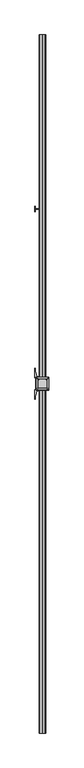
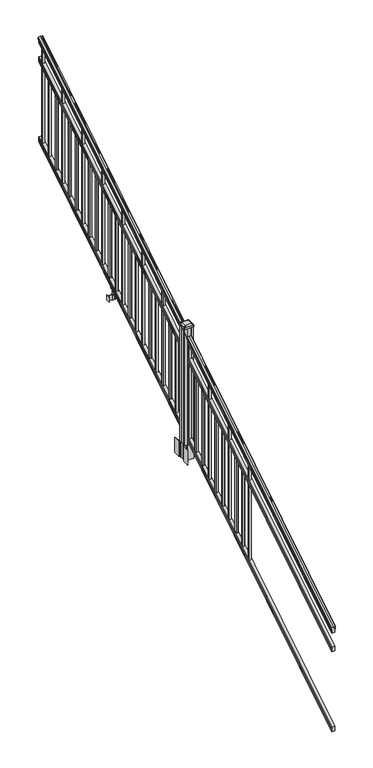
"""IFC4 building model written with IfcOpenShell, lengths in millimetres: railing geometry."""

from ifc_helpers import new_model, si_unit, point, frame, frame_2d, origin, place, context, project, spatial, polyline, circle_curve, ellipse_curve, trimmed, segment, composite_curve, outline, extrude, faceted_brep, source, transform, mapped, element, save
from ifc_brep_helpers import plane_surface, cylinder_surface, revolved_surface, extruded_surface, advanced_brep


def railing_d5952ba9(model_context):
    return source(origin(), model_context, "Body", "SolidModel", [
        advanced_brep(
        [(11092.2704765, -129368.4628453, 1285.6070492), (11092.2704765, -129368.4628453, 1287.8335658), (11093.4006628, -129368.4628453, 1289.6758543), (11093.4006628, -129368.4628453, 1298.1876358), (11092.7514064, -129368.4628453, 1301.0572588), (11095.2514064, -129368.4628453, 1306.1635509), (11096.6607489, -129368.4628453, 1308.1442021), (11097.0626479, -129368.4628453, 1309.4469579), (11097.0626478, -129368.4628453, 1311.0274846), (11095.5092005, -129368.4628453, 1312.8593836), (11074.8376478, -129368.4628453, 1312.8593836), (11054.166095, -129368.4628453, 1312.8593836), (11052.6126478, -129368.4628453, 1311.0274846), (11052.6126478, -129368.4628453, 1309.4469579), (11053.0145467, -129368.4628453, 1308.1442021), (11054.4238891, -129368.4628453, 1306.1635509), (11056.9238891, -129368.4628453, 1301.0572588), (11056.2746327, -129368.4628453, 1298.1876358), (11056.2746327, -129368.4628453, 1289.6758543), (11057.404819, -129368.4628453, 1287.8335658), (11057.404819, -129368.4628453, 1285.6070492), (11059.9786478, -129368.4628453, 1285.6070492), (11059.9786478, -129368.4628453, 1273.225537), (11058.9626478, -129368.4628453, 1272.0274214), (11058.9626478, -129368.4628453, 1257.3), (11090.7126478, -129368.4628453, 1257.3), (11090.7126478, -129368.4628453, 1271.841318), (11089.6966478, -129368.4628453, 1273.0394336), (11089.6966478, -129368.4628453, 1285.6070492), (11092.2704765, -124491.6628453, 4333.6070492), (11089.6966478, -124491.6628453, 4333.6070492), (11089.6966478, -124491.6628453, 4321.0394336), (11090.7126478, -124491.6628453, 4319.841318), (11090.7126478, -124491.6628453, 4305.3), (11058.9626478, -124491.6628453, 4305.3), (11058.9626478, -124491.6628453, 4320.0274214), (11059.9786478, -124491.6628453, 4321.225537), (11059.9786478, -124491.6628453, 4333.6070492), (11057.404819, -124491.6628453, 4333.6070492), (11057.404819, -124491.6628453, 4335.8335658), (11056.2746327, -124491.6628453, 4337.6758543), (11056.2746327, -124491.6628453, 4346.1876358), (11056.9238891, -124491.6628453, 4349.0572588), (11054.4238891, -124491.6628453, 4354.1635509), (11053.0145467, -124491.6628453, 4356.1442021), (11052.6126477, -124491.6628453, 4357.4469579), (11052.6126478, -124491.6628453, 4359.0274846), (11054.166095, -124491.6628453, 4360.8593836), (11074.8376478, -124491.6628453, 4360.8593836), (11095.5092005, -124491.6628453, 4360.8593836), (11097.0626478, -124491.6628453, 4359.0274846), (11097.0626478, -124491.6628453, 4357.4469579), (11096.6607489, -124491.6628453, 4356.1442021), (11095.2514064, -124491.6628453, 4354.1635509), (11092.7514064, -124491.6628453, 4349.0572588), (11093.4006628, -124491.6628453, 4346.1876358), (11093.4006628, -124491.6628453, 4337.6758543), (11092.2704765, -124491.6628453, 4335.8335658)],
        [
            (0, 1),
            (1, 2, ellipse_curve(frame((11085.9557232, -129368.4628453, 1294.6239405), z_axis=(0.0, -1.0, 0.0), x_axis=(0.0, 0.0, -1.0)), 10.0777926, 8.545951)),
            (2, 3, ellipse_curve(frame((11086.3927862, -129368.4628453, 1293.9317451), z_axis=(0.0, -1.0, 0.0), x_axis=(0.0, 0.0, -1.0)), 9.2955186, 7.882584)),
            (3, 4, ellipse_curve(frame((11096.9061103, -129368.4628453, 1300.8275077), z_axis=(0.0, 1.0, 0.0), x_axis=(0.0, 0.0, 1.0)), 4.9048088, 4.1592695)),
            (4, 5, ellipse_curve(frame((11098.1934169, -129368.4628453, 1300.7563208), z_axis=(0.0, 1.0, 0.0), x_axis=(0.0, 0.0, 1.0)), 6.4245301, 5.4479907)),
            (5, 6, ellipse_curve(frame((11096.9602584, -129368.4628453, 1306.1602333), z_axis=(0.0, 1.0, 0.0), x_axis=(0.0, 0.0, 1.0)), 2.0151625, 1.7088543)),
            (6, 7, ellipse_curve(frame((11095.3433583, -129368.4628453, 1309.4469579), z_axis=(0.0, -1.0, 0.0), x_axis=(0.0, 0.0, -1.0)), 2.0274681, 1.7192895)),
            (7, 8),
            (8, 9, ellipse_curve(frame((11095.5092005, -129368.4628453, 1311.0274846), z_axis=(0.0, -1.0, 0.0), x_axis=(0.0, 0.0, -1.0)), 1.831899, 1.5534472)),
            (9, 10),
            (10, 11),
            (11, 12, ellipse_curve(frame((11054.166095, -129368.4628453, 1311.0274846), z_axis=(0.0, -1.0, 0.0), x_axis=(0.0, 0.0, -1.0)), 1.831899, 1.5534472)),
            (12, 13),
            (13, 14, ellipse_curve(frame((11054.3319372, -129368.4628453, 1309.4469579), z_axis=(0.0, -1.0, 0.0), x_axis=(0.0, 0.0, -1.0)), 2.0274681, 1.7192895)),
            (14, 15, ellipse_curve(frame((11052.7150371, -129368.4628453, 1306.1602333), z_axis=(0.0, 1.0, 0.0), x_axis=(0.0, 0.0, 1.0)), 2.0151625, 1.7088543)),
            (15, 16, ellipse_curve(frame((11051.4818787, -129368.4628453, 1300.7563208), z_axis=(0.0, 1.0, 0.0), x_axis=(0.0, 0.0, 1.0)), 6.4245301, 5.4479907)),
            (16, 17, ellipse_curve(frame((11052.7691852, -129368.4628453, 1300.8275077), z_axis=(0.0, 1.0, 0.0), x_axis=(0.0, 0.0, 1.0)), 4.9048088, 4.1592695)),
            (17, 18, ellipse_curve(frame((11063.2825093, -129368.4628453, 1293.9317451), z_axis=(0.0, -1.0, 0.0), x_axis=(0.0, 0.0, -1.0)), 9.2955186, 7.882584)),
            (18, 19, ellipse_curve(frame((11063.7195723, -129368.4628453, 1294.6239405), z_axis=(0.0, -1.0, 0.0), x_axis=(0.0, 0.0, -1.0)), 10.0777926, 8.545951)),
            (19, 20),
            (20, 21, ellipse_curve(frame((11058.6917334, -129368.4628453, 1285.6070492), z_axis=(0.0, -1.0, 0.0), x_axis=(0.0, 0.0, -1.0)), 1.5175907, 1.2869144)),
            (21, 22),
            (22, 23),
            (23, 24),
            (24, 25),
            (25, 26),
            (26, 27),
            (27, 28),
            (28, 0, ellipse_curve(frame((11090.9835621, -129368.4628453, 1285.6070492), z_axis=(0.0, -1.0, 0.0), x_axis=(0.0, 0.0, -1.0)), 1.5175907, 1.2869144)),
            (29, 30, ellipse_curve(frame((11090.9835621, -124491.6628453, 4333.6070492), z_axis=(0.0, 1.0, 0.0), x_axis=(0.0, 0.0, -1.0)), 1.5175907, 1.2869144)),
            (30, 31),
            (31, 32),
            (32, 33),
            (33, 34),
            (34, 35),
            (35, 36),
            (36, 37),
            (37, 38, ellipse_curve(frame((11058.6917334, -124491.6628453, 4333.6070492), z_axis=(0.0, 1.0, 0.0), x_axis=(0.0, 0.0, -1.0)), 1.5175907, 1.2869144)),
            (38, 39),
            (39, 40, ellipse_curve(frame((11063.7195723, -124491.6628453, 4342.6239405), z_axis=(0.0, 1.0, 0.0), x_axis=(0.0, 0.0, -1.0)), 10.0777926, 8.545951)),
            (40, 41, ellipse_curve(frame((11063.2825093, -124491.6628453, 4341.9317451), z_axis=(0.0, 1.0, 0.0), x_axis=(0.0, 0.0, -1.0)), 9.2955186, 7.882584)),
            (41, 42, ellipse_curve(frame((11052.7691852, -124491.6628453, 4348.8275077), z_axis=(0.0, -1.0, 0.0), x_axis=(0.0, 0.0, 1.0)), 4.9048088, 4.1592695)),
            (42, 43, ellipse_curve(frame((11051.4818787, -124491.6628453, 4348.7563208), z_axis=(0.0, -1.0, 0.0), x_axis=(0.0, 0.0, 1.0)), 6.4245301, 5.4479907)),
            (43, 44, ellipse_curve(frame((11052.7150371, -124491.6628453, 4354.1602333), z_axis=(0.0, -1.0, 0.0), x_axis=(0.0, 0.0, 1.0)), 2.0151625, 1.7088543)),
            (44, 45, ellipse_curve(frame((11054.3319372, -124491.6628453, 4357.4469579), z_axis=(0.0, 1.0, 0.0), x_axis=(0.0, 0.0, -1.0)), 2.0274681, 1.7192895)),
            (45, 46),
            (46, 47, ellipse_curve(frame((11054.166095, -124491.6628453, 4359.0274846), z_axis=(0.0, 1.0, 0.0), x_axis=(0.0, 0.0, -1.0)), 1.831899, 1.5534472)),
            (47, 48),
            (48, 49),
            (49, 50, ellipse_curve(frame((11095.5092005, -124491.6628453, 4359.0274846), z_axis=(0.0, 1.0, 0.0), x_axis=(0.0, 0.0, -1.0)), 1.831899, 1.5534472)),
            (50, 51),
            (51, 52, ellipse_curve(frame((11095.3433583, -124491.6628453, 4357.4469579), z_axis=(0.0, 1.0, 0.0), x_axis=(0.0, 0.0, -1.0)), 2.0274681, 1.7192895)),
            (52, 53, ellipse_curve(frame((11096.9602584, -124491.6628453, 4354.1602333), z_axis=(0.0, -1.0, 0.0), x_axis=(0.0, 0.0, 1.0)), 2.0151625, 1.7088543)),
            (53, 54, ellipse_curve(frame((11098.1934169, -124491.6628453, 4348.7563208), z_axis=(0.0, -1.0, 0.0), x_axis=(0.0, 0.0, 1.0)), 6.4245301, 5.4479907)),
            (54, 55, ellipse_curve(frame((11096.9061103, -124491.6628453, 4348.8275077), z_axis=(0.0, -1.0, 0.0), x_axis=(0.0, 0.0, 1.0)), 4.9048088, 4.1592695)),
            (55, 56, ellipse_curve(frame((11086.3927862, -124491.6628453, 4341.9317451), z_axis=(0.0, 1.0, 0.0), x_axis=(0.0, 0.0, -1.0)), 9.2955186, 7.882584)),
            (56, 57, ellipse_curve(frame((11085.9557232, -124491.6628453, 4342.6239405), z_axis=(0.0, 1.0, 0.0), x_axis=(0.0, 0.0, -1.0)), 10.0777926, 8.545951)),
            (57, 29),
            (28, 30),
            (29, 0),
            (27, 31),
            (26, 32),
            (25, 33),
            (24, 34),
            (23, 35),
            (22, 36),
            (21, 37),
            (20, 38),
            (19, 39),
            (18, 40),
            (17, 41),
            (16, 42),
            (15, 43),
            (14, 44),
            (13, 45),
            (12, 46),
            (11, 47),
            (10, 48),
            (9, 49),
            (8, 50),
            (7, 51),
            (6, 52),
            (5, 53),
            (4, 54),
            (3, 55),
            (2, 56),
            (1, 57),
        ],
        [
            plane_surface(frame((11074.8376478, -129368.4628453, 1257.3), z_axis=(0.0, -1.0, 0.0), x_axis=(0.0, 0.0, 1.0))),
            plane_surface(frame((11074.8376478, -124491.6628453, 4305.3), z_axis=(0.0, 1.0, 0.0), x_axis=(0.0, 0.0, 1.0))),
            cylinder_surface(frame((11090.9835621, -129381.1851146, 1277.6556309), z_axis=(0.0, -0.8479983040051253, -0.5299989400031204), x_axis=(-1.0, 0.0, 0.0)), 1.2869144),
            plane_surface(frame((11089.6966478, -129368.4628453, 1273.0394336), z_axis=(1.0, 0.0, 0.0), x_axis=(0.0, 0.8479983040051252, 0.5299989400031204))),
            plane_surface(frame((11090.7126478, -129368.4628453, 1271.841318), z_axis=(0.7071067811865389, -0.3747658444978941, 0.5996253511967224), x_axis=(0.0, 0.8479983040051253, 0.5299989400031203))),
            plane_surface(frame((11090.7126478, -129368.4628453, 1257.3), z_axis=(1.0, 0.0, 0.0), x_axis=(0.0, 0.8479983040051252, 0.5299989400031204))),
            plane_surface(frame((11058.9626478, -129368.4628453, 1257.3), z_axis=(0.0, 0.5299989400031204, -0.8479983040051252), x_axis=(0.0, 0.8479983040051252, 0.5299989400031204))),
            plane_surface(frame((11058.9626478, -129368.4628453, 1272.0274214), z_axis=(-1.0000000000000002, 0.0, 0.0), x_axis=(0.0, 0.8479983040051253, 0.5299989400031204))),
            plane_surface(frame((11059.9786478, -129368.4628453, 1273.225537), z_axis=(-0.7071067811865438, -0.3747658444978897, 0.5996253511967192), x_axis=(0.0, 0.8479983040051252, 0.5299989400031204))),
            plane_surface(frame((11059.9786478, -129368.4628453, 1285.6070492), z_axis=(-1.0, 0.0, 0.0), x_axis=(0.0, 0.8479983040051252, 0.5299989400031204))),
            cylinder_surface(frame((11058.6917334, -129381.1851146, 1277.6556309), z_axis=(0.0, -0.8479983040051253, -0.5299989400031204), x_axis=(1.0, 0.0, 0.0)), 1.2869144),
            plane_surface(frame((11057.404819, -129368.4628453, 1287.8335658), z_axis=(-1.0, 0.0, 0.0), x_axis=(0.0, 0.8479983040051252, 0.5299989400031204))),
            cylinder_surface(frame((11063.7195723, -129385.23765, 1284.1396876), z_axis=(0.0, -0.8479983040051253, -0.5299989400031204), x_axis=(1.0, 0.0, 0.0)), 8.545951),
            cylinder_surface(frame((11063.2825093, -129384.9265509, 1283.641929), z_axis=(0.0, -0.8479983040051253, -0.5299989400031204), x_axis=(1.0, 0.0, 0.0)), 7.882584),
            revolved_surface(polyline([(11056.9284547, -124489.45843685034, 4350.205262980551), (11056.9284547, -129370.66725374945, 1299.4497524190954)]), (11052.7691852, -129388.0257701, 1288.6006797), (0.0, 0.8479983040051253, 0.5299989400031204)),
            revolved_surface(polyline([(11056.9298694, -124488.77541603574, 4350.5609640771845), (11056.9298694, -129371.35027455281, 1298.9516775044929)]), (11051.4818787, -129387.993776, 1288.5494891), (0.0, 0.8479983040051253, 0.5299989400031204)),
            revolved_surface(polyline([(11054.423891400002, -124490.75715429979, 4354.726290199658), (11054.423891400002, -129369.36853632248, 1305.5941764359545)]), (11052.7150371, -129390.4225007, 1292.4354487), (0.0, 0.8479983040051253, 0.5299989400031204)),
            cylinder_surface(frame((11054.3319372, -129391.8996803, 1294.798936), z_axis=(0.0, -0.8479983040051253, -0.5299989400031204), x_axis=(1.0, 0.0, 0.0)), 1.7192895),
            plane_surface(frame((11052.6126478, -129368.4628453, 1311.0274846), z_axis=(-1.0000000000000002, 0.0, 0.0), x_axis=(0.0, 0.8479983040051253, 0.5299989400031204))),
            cylinder_surface(frame((11054.166095, -129392.6100294, 1295.9354945), z_axis=(0.0, -0.8479983040051253, -0.5299989400031204), x_axis=(1.0, 0.0, 0.0)), 1.5534472),
            plane_surface(frame((11074.8376478, -129368.4628453, 1312.8593836), z_axis=(0.0, -0.5299989400031204, 0.8479983040051252), x_axis=(0.0, 0.8479983040051252, 0.5299989400031204))),
            plane_surface(frame((11095.5092005, -129368.4628453, 1312.8593836), z_axis=(0.0, -0.5299989400031204, 0.8479983040051252), x_axis=(0.0, 0.8479983040051252, 0.5299989400031204))),
            cylinder_surface(frame((11095.5092005, -129392.6100294, 1295.9354945), z_axis=(0.0, -0.8479983040051253, -0.5299989400031204), x_axis=(-1.0, 0.0, 0.0)), 1.5534472),
            plane_surface(frame((11097.0626478, -129368.4628453, 1309.4469579), z_axis=(1.0, 0.0, 0.0), x_axis=(0.0, 0.8479983040051252, 0.5299989400031204))),
            cylinder_surface(frame((11095.3433583, -129391.8996803, 1294.798936), z_axis=(0.0, -0.8479983040051253, -0.5299989400031204), x_axis=(-1.0, 0.0, 0.0)), 1.7192895),
            revolved_surface(polyline([(11095.2514041, -124490.75715429979, 4354.726290199658), (11095.2514041, -129369.36853632248, 1305.5941764359545)]), (11096.9602584, -129390.4225007, 1292.4354487), (0.0, 0.8479983040051253, 0.5299989400031204)),
            revolved_surface(polyline([(11092.7454262, -124488.77541603574, 4350.5609640771845), (11092.7454262, -129371.35027455281, 1298.9516775044929)]), (11098.1934169, -129387.993776, 1288.5494891), (0.0, 0.8479983040051253, 0.5299989400031204)),
            revolved_surface(polyline([(11092.7468408, -124489.45843685034, 4350.205262980551), (11092.7468408, -129370.66725374945, 1299.4497524190954)]), (11096.9061103, -129388.0257701, 1288.6006797), (0.0, 0.8479983040051253, 0.5299989400031204)),
            cylinder_surface(frame((11086.3927862, -129384.9265509, 1283.641929), z_axis=(0.0, -0.8479983040051253, -0.5299989400031204), x_axis=(-1.0, 0.0, 0.0)), 7.882584),
            cylinder_surface(frame((11085.9557232, -129385.23765, 1284.1396876), z_axis=(0.0, -0.8479983040051253, -0.5299989400031204), x_axis=(-1.0, 0.0, 0.0)), 8.545951),
            plane_surface(frame((11092.2704765, -129368.4628453, 1285.6070492), z_axis=(1.0, 0.0, 0.0), x_axis=(0.0, 0.8479983040051252, 0.5299989400031204))),
        ],
        [
            (0, [[1, 2, 3, 4, 5, 6, 7, 8, 9, 10, 11, 12, 13, 14, 15, 16, 17, 18, 19, 20, 21, 22, 23, 24, 25, 26, 27, 28, 29]]),
            (1, [[30, 31, 32, 33, 34, 35, 36, 37, 38, 39, 40, 41, 42, 43, 44, 45, 46, 47, 48, 49, 50, 51, 52, 53, 54, 55, 56, 57, 58]]),
            (2, [[-29, 59, -30, 60]]),
            (3, [[-28, 61, -31, -59]]),
            (4, [[-27, 62, -32, -61]]),
            (5, [[-26, 63, -33, -62]]),
            (6, [[-25, 64, -34, -63]]),
            (7, [[-24, 65, -35, -64]]),
            (8, [[-23, 66, -36, -65]]),
            (9, [[-22, 67, -37, -66]]),
            (10, [[-21, 68, -38, -67]]),
            (11, [[-20, 69, -39, -68]]),
            (12, [[-19, 70, -40, -69]]),
            (13, [[-18, 71, -41, -70]]),
            (14, [[-17, 72, -42, -71]]),
            (15, [[-16, 73, -43, -72]]),
            (16, [[-15, 74, -44, -73]]),
            (17, [[-14, 75, -45, -74]]),
            (18, [[-13, 76, -46, -75]]),
            (19, [[-12, 77, -47, -76]]),
            (20, [[-11, 78, -48, -77]]),
            (21, [[-10, 79, -49, -78]]),
            (22, [[-9, 80, -50, -79]]),
            (23, [[-8, 81, -51, -80]]),
            (24, [[-7, 82, -52, -81]]),
            (25, [[-6, 83, -53, -82]]),
            (26, [[-5, 84, -54, -83]]),
            (27, [[-4, 85, -55, -84]]),
            (28, [[-3, 86, -56, -85]]),
            (29, [[-2, 87, -57, -86]]),
            (30, [[-1, -60, -58, -87]]),
        ],
    ),
        faceted_brep([(11090.7501347, -129368.4628453, 1081.6045079), (11089.7341347, -129368.4628453, 1083.138026), (11089.7341347, -129368.4628453, 1095.3545048), (11090.7501347, -129368.4628453, 1096.9444579), (11090.7501347, -129368.4628453, 1111.7244744), (11059.0001347, -129368.4628453, 1111.7244744), (11059.0001347, -129368.4628453, 1096.9248272), (11060.0161347, -129368.4628453, 1095.3348741), (11060.0161347, -129368.4628453, 1083.1748303), (11059.0001347, -129368.4628453, 1081.5848772), (11059.0001347, -129368.4628453, 1066.8), (11090.7501347, -129368.4628453, 1066.8), (11090.7501347, -124491.6628453, 4129.6045079), (11090.7501347, -124491.6628453, 4114.8), (11059.0001347, -124491.6628453, 4114.8), (11059.0001347, -124491.6628453, 4129.5848772), (11060.0161347, -124491.6628453, 4131.1748303), (11060.0161347, -124491.6628453, 4143.3348741), (11059.0001347, -124491.6628453, 4144.9248272), (11059.0001347, -124491.6628453, 4159.7244744), (11090.7501347, -124491.6628453, 4159.7244744), (11090.7501347, -124491.6628453, 4144.9444579), (11089.7341347, -124491.6628453, 4143.3545048), (11089.7341347, -124491.6628453, 4131.138026)], [[[0, 1, 2, 3, 4, 5, 6, 7, 8, 9, 10, 11]], [[12, 13, 14, 15, 16, 17, 18, 19, 20, 21, 22, 23]], [[0, 11, 13, 12]], [[11, 10, 14, 13]], [[10, 9, 15, 14]], [[9, 8, 16, 15]], [[8, 7, 17, 16]], [[7, 6, 18, 17]], [[6, 5, 19, 18]], [[5, 4, 20, 19]], [[4, 3, 21, 20]], [[3, 2, 22, 21]], [[2, 1, 23, 22]], [[1, 0, 12, 23]]]),
        faceted_brep([(11090.7501347, -129368.4628453, 268.8045079), (11089.7341347, -129368.4628453, 270.338026), (11089.7341347, -129368.4628453, 282.5545048), (11090.7501347, -129368.4628453, 284.1444579), (11090.7501347, -129368.4628453, 298.9244744), (11059.0001347, -129368.4628453, 298.9244744), (11059.0001347, -129368.4628453, 284.1248272), (11060.0161347, -129368.4628453, 282.5348741), (11060.0161347, -129368.4628453, 270.3748303), (11059.0001347, -129368.4628453, 268.7848772), (11059.0001347, -129368.4628453, 254.0), (11090.7501347, -129368.4628453, 254.0), (11090.7501347, -124491.6628453, 3316.8045079), (11090.7501347, -124491.6628453, 3302.0), (11059.0001347, -124491.6628453, 3302.0), (11059.0001347, -124491.6628453, 3316.7848772), (11060.0161347, -124491.6628453, 3318.3748303), (11060.0161347, -124491.6628453, 3330.5348741), (11059.0001347, -124491.6628453, 3332.1248272), (11059.0001347, -124491.6628453, 3346.9244744), (11090.7501347, -124491.6628453, 3346.9244744), (11090.7501347, -124491.6628453, 3332.1444579), (11089.7341347, -124491.6628453, 3330.5545048), (11089.7341347, -124491.6628453, 3318.338026)], [[[0, 1, 2, 3, 4, 5, 6, 7, 8, 9, 10, 11]], [[12, 13, 14, 15, 16, 17, 18, 19, 20, 21, 22, 23]], [[2, 1, 23, 22]], [[4, 3, 21, 20]], [[6, 5, 19, 18]], [[0, 11, 13, 12]], [[1, 0, 12, 23]], [[3, 2, 22, 21]], [[5, 4, 20, 19]], [[7, 6, 18, 17]], [[8, 7, 17, 16]], [[9, 8, 16, 15]], [[10, 9, 15, 14]], [[11, 10, 14, 13]]]),
        extrude(outline(polyline([(11084.3626478, -124548.4318453), (11065.3126478, -124548.4318453), (11065.3126478, -124529.3818453), (11084.3626478, -124529.3818453), (11084.3626478, -124548.4318453)]), holes=[polyline([(11083.9657728, -124548.0349703), (11083.9657728, -124529.7787203), (11065.7095228, -124529.7787203), (11065.7095228, -124548.0349703), (11083.9657728, -124548.0349703)])]), frame((0.0, 0.0, 3310.5683781), z_axis=(0.0, 0.0, 1.0), x_axis=(1.0, 0.0, 0.0)), (0.0, 0.0, 1.0), 965.2041219),
        extrude(outline(polyline([(11084.3626478, -124659.6838453), (11065.3126478, -124659.6838453), (11065.3126478, -124640.6338453), (11084.3626478, -124640.6338453), (11084.3626478, -124659.6838453)]), holes=[polyline([(11083.9657728, -124659.2869703), (11083.9657728, -124641.0307203), (11065.7095228, -124641.0307203), (11065.7095228, -124659.2869703), (11083.9657728, -124659.2869703)])]), frame((0.0, 0.0, 3241.0358781), z_axis=(0.0, 0.0, 1.0), x_axis=(1.0, 0.0, 0.0)), (0.0, 0.0, 1.0), 774.7041219),
        extrude(outline(polyline([(11084.3626478, -124770.9358453), (11065.3126478, -124770.9358453), (11065.3126478, -124751.8858453), (11084.3626478, -124751.8858453), (11084.3626478, -124770.9358453)]), holes=[polyline([(11083.9657728, -124770.5389703), (11083.9657728, -124752.2827203), (11065.7095228, -124752.2827203), (11065.7095228, -124770.5389703), (11083.9657728, -124770.5389703)])]), frame((0.0, 0.0, 3171.5033781), z_axis=(0.0, 0.0, 1.0), x_axis=(1.0, 0.0, 0.0)), (0.0, 0.0, 1.0), 774.7041219),
        extrude(outline(polyline([(11084.3626478, -124882.1878453), (11065.3126478, -124882.1878453), (11065.3126478, -124863.1378453), (11084.3626478, -124863.1378453), (11084.3626478, -124882.1878453)]), holes=[polyline([(11083.9657728, -124881.7909703), (11083.9657728, -124863.5347203), (11065.7095228, -124863.5347203), (11065.7095228, -124881.7909703), (11083.9657728, -124881.7909703)])]), frame((0.0, 0.0, 3101.9708781), z_axis=(0.0, 0.0, 1.0), x_axis=(1.0, 0.0, 0.0)), (0.0, 0.0, 1.0), 965.2041219),
        extrude(outline(polyline([(11084.3626478, -124993.4398453), (11065.3126478, -124993.4398453), (11065.3126478, -124974.3898453), (11084.3626478, -124974.3898453), (11084.3626478, -124993.4398453)]), holes=[polyline([(11083.9657728, -124993.0429703), (11083.9657728, -124974.7867203), (11065.7095228, -124974.7867203), (11065.7095228, -124993.0429703), (11083.9657728, -124993.0429703)])]), frame((0.0, 0.0, 3032.4383781), z_axis=(0.0, 0.0, 1.0), x_axis=(1.0, 0.0, 0.0)), (0.0, 0.0, 1.0), 774.7041219),
        extrude(outline(polyline([(11084.3626478, -125104.6918453), (11065.3126478, -125104.6918453), (11065.3126478, -125085.6418453), (11084.3626478, -125085.6418453), (11084.3626478, -125104.6918453)]), holes=[polyline([(11083.9657728, -125104.2949703), (11083.9657728, -125086.0387203), (11065.7095228, -125086.0387203), (11065.7095228, -125104.2949703), (11083.9657728, -125104.2949703)])]), frame((0.0, 0.0, 2962.9058781), z_axis=(0.0, 0.0, 1.0), x_axis=(1.0, 0.0, 0.0)), (0.0, 0.0, 1.0), 774.7041219),
        extrude(outline(polyline([(11084.3626478, -125215.9438453), (11065.3126478, -125215.9438453), (11065.3126478, -125196.8938453), (11084.3626478, -125196.8938453), (11084.3626478, -125215.9438453)]), holes=[polyline([(11083.9657728, -125215.5469703), (11083.9657728, -125197.2907203), (11065.7095228, -125197.2907203), (11065.7095228, -125215.5469703), (11083.9657728, -125215.5469703)])]), frame((0.0, 0.0, 2893.3733781), z_axis=(0.0, 0.0, 1.0), x_axis=(1.0, 0.0, 0.0)), (0.0, 0.0, 1.0), 965.2041219),
        extrude(outline(polyline([(11084.3626478, -125327.1958453), (11065.3126478, -125327.1958453), (11065.3126478, -125308.1458453), (11084.3626478, -125308.1458453), (11084.3626478, -125327.1958453)]), holes=[polyline([(11083.9657728, -125326.7989703), (11083.9657728, -125308.5427203), (11065.7095228, -125308.5427203), (11065.7095228, -125326.7989703), (11083.9657728, -125326.7989703)])]), frame((0.0, 0.0, 2823.8408781), z_axis=(0.0, 0.0, 1.0), x_axis=(1.0, 0.0, 0.0)), (0.0, 0.0, 1.0), 774.7041219),
        extrude(outline(polyline([(11084.3626478, -125438.4478453), (11065.3126478, -125438.4478453), (11065.3126478, -125419.3978453), (11084.3626478, -125419.3978453), (11084.3626478, -125438.4478453)]), holes=[polyline([(11083.9657728, -125438.0509703), (11083.9657728, -125419.7947203), (11065.7095228, -125419.7947203), (11065.7095228, -125438.0509703), (11083.9657728, -125438.0509703)])]), frame((0.0, 0.0, 2754.3083781), z_axis=(0.0, 0.0, 1.0), x_axis=(1.0, 0.0, 0.0)), (0.0, 0.0, 1.0), 774.7041219),
        extrude(outline(polyline([(11084.3626478, -125549.6998453), (11065.3126478, -125549.6998453), (11065.3126478, -125530.6498453), (11084.3626478, -125530.6498453), (11084.3626478, -125549.6998453)]), holes=[polyline([(11083.9657728, -125549.3029703), (11083.9657728, -125531.0467203), (11065.7095228, -125531.0467203), (11065.7095228, -125549.3029703), (11083.9657728, -125549.3029703)])]), frame((0.0, 0.0, 2684.7758781), z_axis=(0.0, 0.0, 1.0), x_axis=(1.0, 0.0, 0.0)), (0.0, 0.0, 1.0), 965.2041219),
        extrude(outline(polyline([(11084.3626478, -125660.9518453), (11065.3126478, -125660.9518453), (11065.3126478, -125641.9018453), (11084.3626478, -125641.9018453), (11084.3626478, -125660.9518453)]), holes=[polyline([(11083.9657728, -125660.5549703), (11083.9657728, -125642.2987203), (11065.7095228, -125642.2987203), (11065.7095228, -125660.5549703), (11083.9657728, -125660.5549703)])]), frame((0.0, 0.0, 2615.2433781), z_axis=(0.0, 0.0, 1.0), x_axis=(1.0, 0.0, 0.0)), (0.0, 0.0, 1.0), 774.7041219),
        extrude(outline(polyline([(11064.169648, -125708.3228453), (11024.7996478, -125708.3228453), (11024.7996478, -125705.7828453), (11064.169648, -125705.7828453), (11064.169648, -125708.3228453)])), frame((0.0, 0.0, 2428.08125), z_axis=(0.0, 0.0, 1.0), x_axis=(1.0, 0.0, 0.0)), (0.0, 0.0, 1.0), 50.8),
        extrude(outline(polyline([(11024.7996478, -125726.1028453), (11022.2596478, -125726.1028453), (11022.2596478, -125688.0028453), (11024.7996478, -125688.0028453), (11024.7996478, -125726.1028453)])), frame((0.0, 0.0, 2428.08125), z_axis=(0.0, 0.0, 1.0), x_axis=(1.0, 0.0, 0.0)), (0.0, 0.0, 1.0), 50.8),
        extrude(outline(polyline([(11085.5056485, -125716.9588453), (11064.169648, -125716.9588453), (11064.169648, -125697.1468453), (11085.5056485, -125697.1468453), (11085.5056485, -125716.9588453)]), holes=[polyline([(11082.2036484, -125714.4188453), (11082.2036484, -125699.6868453), (11067.4716481, -125699.6868453), (11067.4716481, -125714.4188453), (11082.2036484, -125714.4188453)])]), frame((0.0, 0.0, 2428.08125), z_axis=(0.0, 0.0, 1.0), x_axis=(1.0, 0.0, 0.0)), (0.0, 0.0, 1.0), 50.8),
        extrude(outline(polyline([(2567.6016479, 11056.6766489), (2566.8396469, 11055.9146479), (2540.3492523, 11055.9146479), (2539.5872513, 11056.6766489), (2539.5872513, 11066.709648), (2538.8252512, 11067.4716481), (2475.3252512, 11067.4716481), (2475.3252512, 11082.2036484), (2538.8252512, 11082.2036484), (2539.5872513, 11082.9656485), (2539.5872513, 11092.9986475), (2540.3492523, 11093.7606486), (2566.8396469, 11093.7606486), (2567.6016479, 11092.9986475), (2567.6016479, 11090.966648), (2566.5856453, 11089.9506482), (2556.1498581, 11089.9506482), (2555.1338573, 11090.966648), (2543.143251, 11090.966648), (2542.3812519, 11090.2046488), (2542.3812519, 11059.4706477), (2543.143251, 11058.7086485), (2555.1338573, 11058.7086485), (2556.1498581, 11059.7246483), (2566.5856453, 11059.7246483), (2567.6016479, 11058.7086485), (2567.6016479, 11056.6766489)]), holes=[polyline([(2539.5872513, 11078.2666481), (2538.8252512, 11079.0286482), (2482.8182531, 11079.0286482), (2482.0562531, 11078.2666481), (2482.0562531, 11071.4086455), (2482.8182503, 11070.6466483), (2538.8252512, 11070.6466483), (2539.5872513, 11071.4086483), (2539.5872513, 11078.2666481)])]), frame((0.0, -125714.4188453, 0.0), z_axis=(0.0, 1.0, 0.0), x_axis=(0.0, 0.0, 1.0)), (0.0, 0.0, 1.0), 14.732),
        extrude(outline(polyline([(11084.3626478, -125772.2038453), (11065.3126478, -125772.2038453), (11065.3126478, -125753.1538453), (11084.3626478, -125753.1538453), (11084.3626478, -125772.2038453)]), holes=[polyline([(11083.9657728, -125771.8069703), (11083.9657728, -125753.5507203), (11065.7095228, -125753.5507203), (11065.7095228, -125771.8069703), (11083.9657728, -125771.8069703)])]), frame((0.0, 0.0, 2545.7108781), z_axis=(0.0, 0.0, 1.0), x_axis=(1.0, 0.0, 0.0)), (0.0, 0.0, 1.0), 774.7041219),
        extrude(outline(polyline([(11084.3626478, -125883.4558453), (11065.3126478, -125883.4558453), (11065.3126478, -125864.4058453), (11084.3626478, -125864.4058453), (11084.3626478, -125883.4558453)]), holes=[polyline([(11083.9657728, -125883.0589703), (11083.9657728, -125864.8027203), (11065.7095228, -125864.8027203), (11065.7095228, -125883.0589703), (11083.9657728, -125883.0589703)])]), frame((0.0, 0.0, 2476.1783781), z_axis=(0.0, 0.0, 1.0), x_axis=(1.0, 0.0, 0.0)), (0.0, 0.0, 1.0), 965.2041219),
        extrude(outline(polyline([(11084.3626478, -125994.7078453), (11065.3126478, -125994.7078453), (11065.3126478, -125975.6578453), (11084.3626478, -125975.6578453), (11084.3626478, -125994.7078453)]), holes=[polyline([(11083.9657728, -125994.3109703), (11083.9657728, -125976.0547203), (11065.7095228, -125976.0547203), (11065.7095228, -125994.3109703), (11083.9657728, -125994.3109703)])]), frame((0.0, 0.0, 2406.6458781), z_axis=(0.0, 0.0, 1.0), x_axis=(1.0, 0.0, 0.0)), (0.0, 0.0, 1.0), 774.7041219),
        extrude(outline(polyline([(11084.3626478, -126105.9598453), (11065.3126478, -126105.9598453), (11065.3126478, -126086.9098453), (11084.3626478, -126086.9098453), (11084.3626478, -126105.9598453)]), holes=[polyline([(11083.9657728, -126105.5629703), (11083.9657728, -126087.3067203), (11065.7095228, -126087.3067203), (11065.7095228, -126105.5629703), (11083.9657728, -126105.5629703)])]), frame((0.0, 0.0, 2337.1133781), z_axis=(0.0, 0.0, 1.0), x_axis=(1.0, 0.0, 0.0)), (0.0, 0.0, 1.0), 774.7041219),
        extrude(outline(polyline([(11084.3626478, -126217.2118453), (11065.3126478, -126217.2118453), (11065.3126478, -126198.1618453), (11084.3626478, -126198.1618453), (11084.3626478, -126217.2118453)]), holes=[polyline([(11083.9657728, -126216.8149703), (11083.9657728, -126198.5587203), (11065.7095228, -126198.5587203), (11065.7095228, -126216.8149703), (11083.9657728, -126216.8149703)])]), frame((0.0, 0.0, 2267.5808781), z_axis=(0.0, 0.0, 1.0), x_axis=(1.0, 0.0, 0.0)), (0.0, 0.0, 1.0), 965.2041219),
        extrude(outline(polyline([(11084.3626478, -126328.4638453), (11065.3126478, -126328.4638453), (11065.3126478, -126309.4138453), (11084.3626478, -126309.4138453), (11084.3626478, -126328.4638453)]), holes=[polyline([(11083.9657728, -126328.0669703), (11083.9657728, -126309.8107203), (11065.7095228, -126309.8107203), (11065.7095228, -126328.0669703), (11083.9657728, -126328.0669703)])]), frame((0.0, 0.0, 2198.0483781), z_axis=(0.0, 0.0, 1.0), x_axis=(1.0, 0.0, 0.0)), (0.0, 0.0, 1.0), 774.7041219),
        extrude(outline(polyline([(11084.3626478, -126439.7158453), (11065.3126478, -126439.7158453), (11065.3126478, -126420.6658453), (11084.3626478, -126420.6658453), (11084.3626478, -126439.7158453)]), holes=[polyline([(11083.9657728, -126439.3189703), (11083.9657728, -126421.0627203), (11065.7095228, -126421.0627203), (11065.7095228, -126439.3189703), (11083.9657728, -126439.3189703)])]), frame((0.0, 0.0, 2128.5158781), z_axis=(0.0, 0.0, 1.0), x_axis=(1.0, 0.0, 0.0)), (0.0, 0.0, 1.0), 774.7041219),
        extrude(outline(polyline([(11084.3626478, -126550.9678453), (11065.3126478, -126550.9678453), (11065.3126478, -126531.9178453), (11084.3626478, -126531.9178453), (11084.3626478, -126550.9678453)]), holes=[polyline([(11083.9657728, -126550.5709703), (11083.9657728, -126532.3147203), (11065.7095228, -126532.3147203), (11065.7095228, -126550.5709703), (11083.9657728, -126550.5709703)])]), frame((0.0, 0.0, 2058.9833781), z_axis=(0.0, 0.0, 1.0), x_axis=(1.0, 0.0, 0.0)), (0.0, 0.0, 1.0), 965.2041219),
        extrude(outline(polyline([(11084.3626478, -126662.2198453), (11065.3126478, -126662.2198453), (11065.3126478, -126643.1698453), (11084.3626478, -126643.1698453), (11084.3626478, -126662.2198453)]), holes=[polyline([(11083.9657728, -126661.8229703), (11083.9657728, -126643.5667203), (11065.7095228, -126643.5667203), (11065.7095228, -126661.8229703), (11083.9657728, -126661.8229703)])]), frame((0.0, 0.0, 1989.4508781), z_axis=(0.0, 0.0, 1.0), x_axis=(1.0, 0.0, 0.0)), (0.0, 0.0, 1.0), 774.7041219),
        extrude(outline(polyline([(11084.3626478, -126773.4718453), (11065.3126478, -126773.4718453), (11065.3126478, -126754.4218453), (11084.3626478, -126754.4218453), (11084.3626478, -126773.4718453)]), holes=[polyline([(11083.9657728, -126773.0749703), (11083.9657728, -126754.8187203), (11065.7095228, -126754.8187203), (11065.7095228, -126773.0749703), (11083.9657728, -126773.0749703)])]), frame((0.0, 0.0, 1919.9183781), z_axis=(0.0, 0.0, 1.0), x_axis=(1.0, 0.0, 0.0)), (0.0, 0.0, 1.0), 774.7041219),
        extrude(outline(polyline([(11084.3626478, -126884.7238453), (11065.3126478, -126884.7238453), (11065.3126478, -126865.6738453), (11084.3626478, -126865.6738453), (11084.3626478, -126884.7238453)]), holes=[polyline([(11083.9657728, -126884.3269703), (11083.9657728, -126866.0707203), (11065.7095228, -126866.0707203), (11065.7095228, -126884.3269703), (11083.9657728, -126884.3269703)])]), frame((0.0, 0.0, 1850.3858781), z_axis=(0.0, 0.0, 1.0), x_axis=(1.0, 0.0, 0.0)), (0.0, 0.0, 1.0), 965.2041219),
        extrude(outline(composite_curve([segment(polyline([(11117.5731478, -126944.9089401), (11119.1606478, -126945.6709401), (11119.1606478, -126968.4728682), (11115.7876707, -126971.8458453), (11054.3279999, -126971.8458453), (11054.3279999, -126972.7665953), (11049.0104561, -126972.7665953), (11049.0104561, -126974.22085), (11043.9259264, -126974.22085), (11043.9259264, -126975.5048738), (11042.2586541, -126975.5048738)]), True, "CONTINUOUS"), segment(trimmed(circle_curve(frame_2d((11042.2586541, -126982.5643337)), 7.0594599), [point((11042.2586541, -126975.5048738))], [point((11035.4913912, -126980.554327))], True, "CARTESIAN"), True, "CONTINUOUS"), segment(polyline([(11035.4913912, -126980.554327), (11027.6171969, -127007.0650561)]), True, "CONTINUOUS"), segment(trimmed(circle_curve(frame_2d((11082.4017103, -127023.3371057)), 57.15), [point((11027.6171969, -127007.0650561))], [point((11025.2517103, -127023.3371057))], True, "CARTESIAN"), True, "CONTINUOUS"), segment(polyline([(11025.2517103, -127023.3371057), (11025.2517103, -127035.3458453), (11022.2517103, -127035.3458453), (11022.2517103, -126970.2583453), (11030.5146478, -126958.920054), (11030.5146478, -126945.6709401), (11032.1021478, -126944.9089401), (11032.1021478, -126910.1367504), (11030.5146478, -126909.3747504), (11030.5146478, -126896.1256366), (11022.2517103, -126884.7873453), (11022.2517103, -126819.6998453), (11025.2517103, -126819.6998453), (11025.2517103, -126831.7085848)]), True, "CONTINUOUS"), segment(trimmed(circle_curve(frame_2d((11082.4017103, -126831.7085848)), 57.15), [point((11025.2517103, -126831.7085848))], [point((11027.6171969, -126847.9806345))], True, "CARTESIAN"), True, "CONTINUOUS"), segment(polyline([(11027.6171969, -126847.9806345), (11035.4913912, -126874.4913636)]), True, "CONTINUOUS"), segment(trimmed(circle_curve(frame_2d((11042.2586541, -126872.4813569)), 7.0594599), [point((11035.4913912, -126874.4913636))], [point((11042.2586541, -126879.5408168))], True, "CARTESIAN"), True, "CONTINUOUS"), segment(polyline([(11042.2586541, -126879.5408168), (11043.9259264, -126879.5408168), (11043.9259264, -126880.8248406), (11049.0104561, -126880.8248406), (11049.0104561, -126882.2790953), (11054.3279999, -126882.2790953), (11054.3279999, -126883.1998453), (11115.7876707, -126883.1998453), (11119.1606478, -126886.5728224), (11119.1606478, -126909.3747504), (11117.5731478, -126910.1367504), (11117.5731478, -126944.9089401)]), True, "CONTINUOUS")], self_intersect=False), holes=[polyline([(11033.5626478, -126887.8353453), (11033.5626478, -126967.2103453), (11035.1501478, -126968.7978453), (11072.0744304, -126968.7978453), (11114.5251478, -126968.7978453), (11116.1126478, -126967.2103453), (11116.1126478, -126887.8353453), (11114.5251478, -126886.2478453), (11072.0744304, -126886.2478453), (11035.1501478, -126886.2478453), (11033.5626478, -126887.8353453)])]), frame((0.0, 0.0, 1563.6875), z_axis=(0.0, 0.0, 1.0), x_axis=(1.0, 0.0, 0.0)), (0.0, 0.0, 1.0), 152.4),
        advanced_brep(
        [(11049.0407728, -126956.4947203, 2928.426763), (11100.6345228, -126956.4947203, 2928.426763), (11103.8095228, -126953.3197203, 2928.426763), (11103.8095228, -126901.7259703, 2928.426763), (11100.6345228, -126898.5509703, 2928.426763), (11049.0407728, -126898.5509703, 2928.426763), (11045.8657728, -126901.7259703, 2928.426763), (11045.8657728, -126953.3197203, 2928.426763), (11032.7688978, -126972.7665953, 2917.123763), (11029.5938978, -126969.5915953, 2917.123763), (11029.5938978, -126885.4540953, 2917.123763), (11032.7688978, -126882.2790953, 2917.123763), (11116.9063978, -126882.2790953, 2917.123763), (11120.0813978, -126885.4540953, 2917.123763), (11120.0813978, -126969.5915953, 2917.123763), (11116.9063978, -126972.7665953, 2917.123763)],
        [
            (0, 1),
            (1, 2, circle_curve(frame((11100.6345228, -126953.3197203, 2928.426763), z_axis=(0.0, 0.0, 1.0), x_axis=(0.0, 1.0, 0.0)), 3.175)),
            (2, 3),
            (3, 4, circle_curve(frame((11100.6345228, -126901.7259703, 2928.426763), z_axis=(0.0, 0.0, 1.0), x_axis=(0.0, 1.0, 0.0)), 3.175)),
            (4, 5),
            (5, 6, circle_curve(frame((11049.0407728, -126901.7259703, 2928.426763), z_axis=(0.0, 0.0, 1.0), x_axis=(0.0, 1.0, 0.0)), 3.175)),
            (6, 7),
            (7, 0, circle_curve(frame((11049.0407728, -126953.3197203, 2928.426763), z_axis=(0.0, 0.0, 1.0), x_axis=(0.0, 1.0, 0.0)), 3.175)),
            (8, 9, circle_curve(frame((11032.7688978, -126969.5915953, 2917.123763), z_axis=(0.0, 0.0, -1.0), x_axis=(0.0, 1.0, 0.0)), 3.175)),
            (9, 10),
            (10, 11, circle_curve(frame((11032.7688978, -126885.4540953, 2917.123763), z_axis=(0.0, 0.0, -1.0), x_axis=(0.0, 1.0, 0.0)), 3.175)),
            (11, 12),
            (12, 13, circle_curve(frame((11116.9063978, -126885.4540953, 2917.123763), z_axis=(0.0, 0.0, -1.0), x_axis=(0.0, 1.0, 0.0)), 3.175)),
            (13, 14),
            (14, 15, circle_curve(frame((11116.9063978, -126969.5915953, 2917.123763), z_axis=(0.0, 0.0, -1.0), x_axis=(0.0, 1.0, 0.0)), 3.175)),
            (15, 8),
            (8, 0),
            (7, 9),
            (6, 10),
            (5, 11),
            (4, 12),
            (3, 13),
            (2, 14),
            (1, 15),
        ],
        [
            plane_surface(frame((11074.8376478, -126927.5228453, 2928.426763), z_axis=(0.0, 0.0, 1.0), x_axis=(-1.0, 0.0, 0.0))),
            plane_surface(frame((11074.8376478, -126927.5228453, 2917.123763), z_axis=(0.0, 0.0, -1.0), x_axis=(-1.0, 0.0, 0.0))),
            extruded_surface(trimmed(circle_curve(frame((11049.0407728, -126953.3197203, 2928.426763), z_axis=(0.0, 0.0, -1.0), x_axis=(0.0, 1.0, 0.0)), 3.175), [point((11049.0407728, -126956.4947203, 2928.426763))], [point((11045.8657728, -126953.3197203, 2928.426763))], True, "CARTESIAN"), (-16.271874999998545, -16.27187499999127, -11.302999999999884), 25.637972638859644),
            plane_surface(frame((11029.5938978, -126927.5228453, 2917.123763), z_axis=(-0.5705009161540778, 0.0, 0.8212969649690408), x_axis=(0.0, 1.0, 0.0))),
            extruded_surface(trimmed(circle_curve(frame((11049.0407728, -126901.7259703, 2928.426763), z_axis=(0.0, 0.0, -1.0), x_axis=(0.0, 1.0, 0.0)), 3.175), [point((11045.8657728, -126901.7259703, 2928.426763))], [point((11049.0407728, -126898.5509703, 2928.426763))], True, "CARTESIAN"), (-16.271874999998545, 16.27187500000582, -11.302999999999884), 25.63797263886888),
            plane_surface(frame((11074.8376478, -126882.2790953, 2917.123763), z_axis=(0.0, 0.5705009161540291, 0.8212969649690747), x_axis=(1.0, 0.0, 0.0))),
            extruded_surface(trimmed(circle_curve(frame((11100.6345228, -126901.7259703, 2928.426763), z_axis=(0.0, 0.0, -1.0), x_axis=(0.0, 1.0, 0.0)), 3.175), [point((11100.6345228, -126898.5509703, 2928.426763))], [point((11103.8095228, -126901.7259703, 2928.426763))], True, "CARTESIAN"), (16.271875000000364, 16.27187500000582, -11.302999999999884), 25.637972638870036),
            plane_surface(frame((11120.0813978, -126927.5228453, 2917.123763), z_axis=(0.5705009161540142, 0.0, 0.8212969649690851), x_axis=(0.0, -1.0, 0.0))),
            extruded_surface(trimmed(circle_curve(frame((11100.6345228, -126953.3197203, 2928.426763), z_axis=(0.0, 0.0, -1.0), x_axis=(0.0, 1.0, 0.0)), 3.175), [point((11103.8095228, -126953.3197203, 2928.426763))], [point((11100.6345228, -126956.4947203, 2928.426763))], True, "CARTESIAN"), (16.271875000000364, -16.27187499999127, -11.302999999999884), 25.637972638860802),
            plane_surface(frame((11074.8376478, -126972.7665953, 2917.123763), z_axis=(0.0, -0.570500916154034, 0.8212969649690713), x_axis=(-1.0, 0.0, 0.0))),
        ],
        [
            (0, [[1, 2, 3, 4, 5, 6, 7, 8]]),
            (1, [[9, 10, 11, 12, 13, 14, 15, 16]]),
            (2, [[17, -8, 18, -9]]),
            (3, [[-18, -7, 19, -10]]),
            (4, [[-19, -6, 20, -11]]),
            (5, [[-20, -5, 21, -12]]),
            (6, [[-21, -4, 22, -13]]),
            (7, [[-22, -3, 23, -14]]),
            (8, [[-23, -2, 24, -15]]),
            (9, [[-24, -1, -17, -16]]),
        ],
    ),
        extrude(outline(composite_curve([segment(trimmed(circle_curve(frame_2d((11032.7688978, -126969.5915953)), 3.175), [point((11032.7688978, -126972.7665953))], [point((11029.5938978, -126969.5915953))], False, "CARTESIAN"), True, "CONTINUOUS"), segment(polyline([(11029.5938978, -126969.5915953), (11029.5938978, -126885.4540953)]), True, "CONTINUOUS"), segment(trimmed(circle_curve(frame_2d((11032.7688978, -126885.4540953)), 3.175), [point((11029.5938978, -126885.4540953))], [point((11032.7688978, -126882.2790953))], False, "CARTESIAN"), True, "CONTINUOUS"), segment(polyline([(11032.7688978, -126882.2790953), (11116.9063978, -126882.2790953)]), True, "CONTINUOUS"), segment(trimmed(circle_curve(frame_2d((11116.9063978, -126885.4540953)), 3.175), [point((11116.9063978, -126882.2790953))], [point((11120.0813978, -126885.4540953))], False, "CARTESIAN"), True, "CONTINUOUS"), segment(polyline([(11120.0813978, -126885.4540953), (11120.0813978, -126969.5915953)]), True, "CONTINUOUS"), segment(trimmed(circle_curve(frame_2d((11116.9063978, -126969.5915953)), 3.175), [point((11120.0813978, -126969.5915953))], [point((11116.9063978, -126972.7665953))], False, "CARTESIAN"), True, "CONTINUOUS"), segment(polyline([(11116.9063978, -126972.7665953), (11032.7688978, -126972.7665953)]), True, "CONTINUOUS")], self_intersect=False)), frame((0.0, 0.0, 2899.851763), z_axis=(0.0, 0.0, 1.0), x_axis=(1.0, 0.0, 0.0)), (0.0, 0.0, 1.0), 17.272),
        extrude(outline(polyline([(11035.1501478, -126968.7978453), (11033.5626478, -126967.2103453), (11033.5626478, -126947.5888453), (11035.1501478, -126946.8268453), (11035.1501478, -126908.2188453), (11033.5626478, -126907.4568453), (11033.5626478, -126887.8353453), (11035.1501478, -126886.2478453), (11054.7716478, -126886.2478453), (11055.5336478, -126887.8353453), (11094.1416478, -126887.8353453), (11094.9036478, -126886.2478453), (11114.5251478, -126886.2478453), (11116.1126478, -126887.8353453), (11116.1126478, -126907.4568453), (11114.5251478, -126908.2188453), (11114.5251478, -126946.8268453), (11116.1126478, -126947.5888453), (11116.1126478, -126967.2103453), (11114.5251478, -126968.7978453), (11094.9036478, -126968.7978453), (11094.1416478, -126967.2103453), (11055.5336478, -126967.2103453), (11054.7716478, -126968.7978453), (11035.1501478, -126968.7978453)])), frame((0.0, 0.0, 1716.0875), z_axis=(0.0, 0.0, 1.0), x_axis=(1.0, 0.0, 0.0)), (0.0, 0.0, 1.0), 1183.764263),
        extrude(outline(polyline([(11084.3626478, -126989.3718453), (11065.3126478, -126989.3718453), (11065.3126478, -126970.3218453), (11084.3626478, -126970.3218453), (11084.3626478, -126989.3718453)]), holes=[polyline([(11083.9657728, -126988.9749703), (11083.9657728, -126970.7187203), (11065.7095228, -126970.7187203), (11065.7095228, -126988.9749703), (11083.9657728, -126988.9749703)])]), frame((0.0, 0.0, 1784.9808781), z_axis=(0.0, 0.0, 1.0), x_axis=(1.0, 0.0, 0.0)), (0.0, 0.0, 1.0), 965.2041219),
        extrude(outline(polyline([(11084.3626478, -127100.6238453), (11065.3126478, -127100.6238453), (11065.3126478, -127081.5738453), (11084.3626478, -127081.5738453), (11084.3626478, -127100.6238453)]), holes=[polyline([(11083.9657728, -127100.2269703), (11083.9657728, -127081.9707203), (11065.7095228, -127081.9707203), (11065.7095228, -127100.2269703), (11083.9657728, -127100.2269703)])]), frame((0.0, 0.0, 1715.4483781), z_axis=(0.0, 0.0, 1.0), x_axis=(1.0, 0.0, 0.0)), (0.0, 0.0, 1.0), 774.7041219),
        extrude(outline(polyline([(11084.3626478, -127211.8758453), (11065.3126478, -127211.8758453), (11065.3126478, -127192.8258453), (11084.3626478, -127192.8258453), (11084.3626478, -127211.8758453)]), holes=[polyline([(11083.9657728, -127211.4789703), (11083.9657728, -127193.2227203), (11065.7095228, -127193.2227203), (11065.7095228, -127211.4789703), (11083.9657728, -127211.4789703)])]), frame((0.0, 0.0, 1645.9158781), z_axis=(0.0, 0.0, 1.0), x_axis=(1.0, 0.0, 0.0)), (0.0, 0.0, 1.0), 774.7041219),
        extrude(outline(polyline([(11084.3626478, -127323.1278453), (11065.3126478, -127323.1278453), (11065.3126478, -127304.0778453), (11084.3626478, -127304.0778453), (11084.3626478, -127323.1278453)]), holes=[polyline([(11083.9657728, -127322.7309703), (11083.9657728, -127304.4747203), (11065.7095228, -127304.4747203), (11065.7095228, -127322.7309703), (11083.9657728, -127322.7309703)])]), frame((0.0, 0.0, 1576.3833781), z_axis=(0.0, 0.0, 1.0), x_axis=(1.0, 0.0, 0.0)), (0.0, 0.0, 1.0), 965.2041219),
        extrude(outline(polyline([(11084.3626478, -127434.3798453), (11065.3126478, -127434.3798453), (11065.3126478, -127415.3298453), (11084.3626478, -127415.3298453), (11084.3626478, -127434.3798453)]), holes=[polyline([(11083.9657728, -127433.9829703), (11083.9657728, -127415.7267203), (11065.7095228, -127415.7267203), (11065.7095228, -127433.9829703), (11083.9657728, -127433.9829703)])]), frame((0.0, 0.0, 1506.8508781), z_axis=(0.0, 0.0, 1.0), x_axis=(1.0, 0.0, 0.0)), (0.0, 0.0, 1.0), 774.7041219),
        extrude(outline(polyline([(11084.3626478, -127545.6318453), (11065.3126478, -127545.6318453), (11065.3126478, -127526.5818453), (11084.3626478, -127526.5818453), (11084.3626478, -127545.6318453)]), holes=[polyline([(11083.9657728, -127545.2349703), (11083.9657728, -127526.9787203), (11065.7095228, -127526.9787203), (11065.7095228, -127545.2349703), (11083.9657728, -127545.2349703)])]), frame((0.0, 0.0, 1437.3183781), z_axis=(0.0, 0.0, 1.0), x_axis=(1.0, 0.0, 0.0)), (0.0, 0.0, 1.0), 774.7041219),
        extrude(outline(polyline([(11084.3626478, -127656.8838453), (11065.3126478, -127656.8838453), (11065.3126478, -127637.8338453), (11084.3626478, -127637.8338453), (11084.3626478, -127656.8838453)]), holes=[polyline([(11083.9657728, -127656.4869703), (11083.9657728, -127638.2307203), (11065.7095228, -127638.2307203), (11065.7095228, -127656.4869703), (11083.9657728, -127656.4869703)])]), frame((0.0, 0.0, 1367.7858781), z_axis=(0.0, 0.0, 1.0), x_axis=(1.0, 0.0, 0.0)), (0.0, 0.0, 1.0), 965.2041219),
        extrude(outline(polyline([(11084.3626478, -127768.1358453), (11065.3126478, -127768.1358453), (11065.3126478, -127749.0858453), (11084.3626478, -127749.0858453), (11084.3626478, -127768.1358453)]), holes=[polyline([(11083.9657728, -127767.7389703), (11083.9657728, -127749.4827203), (11065.7095228, -127749.4827203), (11065.7095228, -127767.7389703), (11083.9657728, -127767.7389703)])]), frame((0.0, 0.0, 1298.2533781), z_axis=(0.0, 0.0, 1.0), x_axis=(1.0, 0.0, 0.0)), (0.0, 0.0, 1.0), 774.7041219),
        extrude(outline(polyline([(11084.3626478, -127879.3878453), (11065.3126478, -127879.3878453), (11065.3126478, -127860.3378453), (11084.3626478, -127860.3378453), (11084.3626478, -127879.3878453)]), holes=[polyline([(11083.9657728, -127878.9909703), (11083.9657728, -127860.7347203), (11065.7095228, -127860.7347203), (11065.7095228, -127878.9909703), (11083.9657728, -127878.9909703)])]), frame((0.0, 0.0, 1228.7208781), z_axis=(0.0, 0.0, 1.0), x_axis=(1.0, 0.0, 0.0)), (0.0, 0.0, 1.0), 774.7041219),
        extrude(outline(polyline([(11084.3626478, -127990.6398453), (11065.3126478, -127990.6398453), (11065.3126478, -127971.5898453), (11084.3626478, -127971.5898453), (11084.3626478, -127990.6398453)]), holes=[polyline([(11083.9657728, -127990.2429703), (11083.9657728, -127971.9867203), (11065.7095228, -127971.9867203), (11065.7095228, -127990.2429703), (11083.9657728, -127990.2429703)])]), frame((0.0, 0.0, 1159.1883781), z_axis=(0.0, 0.0, 1.0), x_axis=(1.0, 0.0, 0.0)), (0.0, 0.0, 1.0), 965.2041219),
    ])


if __name__ == "__main__":
    model = new_model("IFC4")
    model_context = context("Model", 3, world=origin())
    ifc_project = project(units=[si_unit("LENGTHUNIT", "METRE", prefix="MILLI")], contexts=[model_context])
    site = spatial("IfcSite", under=ifc_project)
    building = spatial("IfcBuilding", under=site)
    placement = place(None, origin())
    railing_shape = railing_d5952ba9(model_context)
    element("IfcRailing", 1, at=placement, inside=building, context=model_context, shape_type="MappedRepresentation", body=[
        mapped(railing_shape, transform((0.0, 0.0, 0.0), x_axis=(1.0, 0.0, 0.0), y_axis=(0.0, 1.0, 0.0), z_axis=(0.0, 0.0, 1.0))),
    ])
    save(model, "model.ifc")
